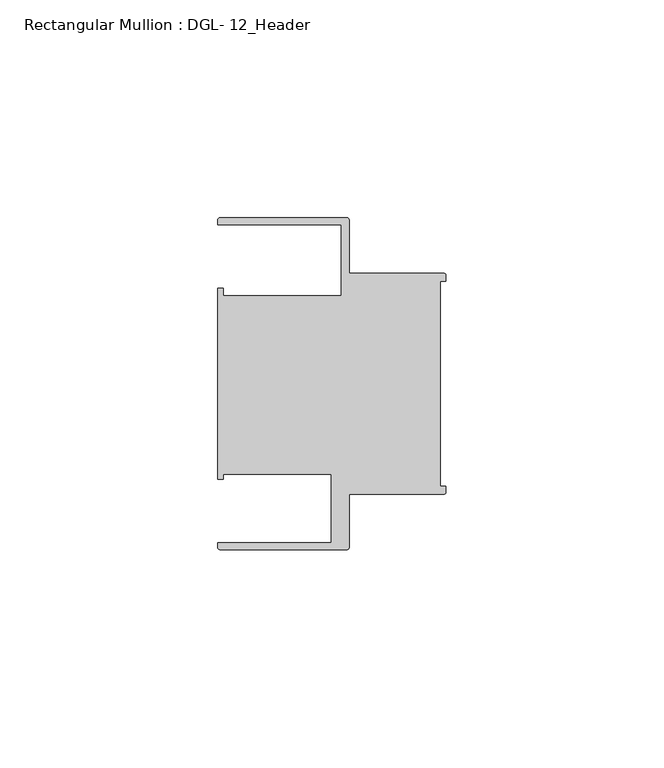
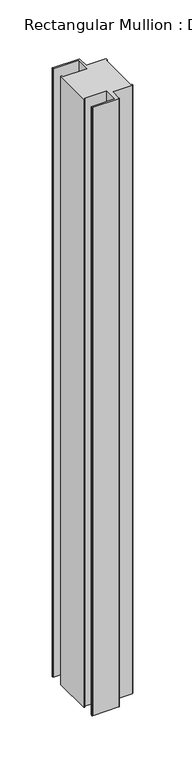
"""IFC4 building model written with IfcOpenShell, lengths in millimetres: member geometry, Rectangular Mullion : DGL- 12_Header."""

import ifcopenshell
import ifcopenshell.guid

model = None  # the IFC model being written
_history = None  # IfcOwnerHistory: only IFC2X3 demands one
_inside = {}  # id of a spatial element -> (the spatial element, [elements in it])
_under = {}  # id of a project, library or spatial element -> (it, [spatial elements below it])
_declared = {}  # id of a project -> (the project, [libraries it declares])
_typed = {}  # id of a type object -> (the type object, [elements of that type])
_made_of = {}  # id of a material, layer set ... -> (it, [elements and type objects made of it])


def new_model(schema):
    """Start an empty IFC model of exactly this schema.

    Asked for "IFC4X3", IfcOpenShell would pick the latest addendum, in which some entities
    have other attributes; the version numbers below select the first issue.
    IFC2X3 requires an IfcOwnerHistory on every rooted entity: one is made here for all.
    """
    global model, _history
    if schema == "IFC4X3":
        model = ifcopenshell.file(schema_version=(4, 3, 0, 0))
    else:
        model = ifcopenshell.file(schema=schema)
    _inside.clear()
    _under.clear()
    _declared.clear()
    _typed.clear()
    _made_of.clear()
    _history = None
    if model.schema == "IFC2X3":
        org = make("IfcOrganization", Name="unknown")
        user = make(
            "IfcPersonAndOrganization",
            ThePerson=make("IfcPerson", FamilyName="unknown"),
            TheOrganization=org,
        )
        app = make(
            "IfcApplication",
            ApplicationDeveloper=org,
            Version="unknown",
            ApplicationFullName="unknown",
            ApplicationIdentifier="unknown",
        )
        _history = make(
            "IfcOwnerHistory",
            OwningUser=user,
            OwningApplication=app,
            ChangeAction="ADDED",
            CreationDate=0,
        )
    return model


def make(cls, **values):
    """One entity of the class cls with the attributes given. An attribute that is None is left unset."""
    return model.create_entity(
        cls, **{name: value for name, value in values.items() if value is not None}
    )


def rooted(cls, **values):
    """An entity with a GlobalId (a new one), such as an element, a storey or a relation."""
    return make(cls, GlobalId=ifcopenshell.guid.new(), OwnerHistory=_history, **values)


def si_unit(unit_type, name, prefix=None):
    """IfcSIUnit, for example si_unit("LENGTHUNIT", "METRE", prefix="MILLI")."""
    return make("IfcSIUnit", UnitType=unit_type, Prefix=prefix, Name=name)


def assignment(units):
    """IfcUnitAssignment: the units of a project."""
    return None if units is None else make("IfcUnitAssignment", Units=units)


def point(xyz):
    """IfcCartesianPoint."""
    return None if xyz is None else make("IfcCartesianPoint", Coordinates=xyz)


def direction(xyz):
    """IfcDirection."""
    return None if xyz is None else make("IfcDirection", DirectionRatios=xyz)


def frame(location, z_axis=None, x_axis=None):
    """IfcAxis2Placement3D, a coordinate frame: its origin and axes. An axis left out is left unset."""
    return make(
        "IfcAxis2Placement3D",
        Location=point(location),
        Axis=direction(z_axis),
        RefDirection=direction(x_axis),
    )


def frame_2d(location, x_axis=None):
    """IfcAxis2Placement2D, a coordinate frame in the plane: its origin and x axis."""
    return make(
        "IfcAxis2Placement2D", Location=point(location), RefDirection=direction(x_axis)
    )


def origin():
    """The frame at (0, 0, 0) with its axes left unset."""
    return frame((0.0, 0.0, 0.0))


def place(relative_to, where):
    """IfcLocalPlacement: puts the frame where relative to a parent placement (None: the world)."""
    return make(
        "IfcLocalPlacement", PlacementRelTo=relative_to, RelativePlacement=where
    )


def context(
    kind, dimensions, precision=None, world=None, true_north=None, identifier=None
):
    """IfcGeometricRepresentationContext, for example the 3D "Model" context."""
    return make(
        "IfcGeometricRepresentationContext",
        ContextIdentifier=identifier,
        ContextType=kind,
        CoordinateSpaceDimension=dimensions,
        Precision=precision,
        WorldCoordinateSystem=world,
        TrueNorth=true_north,
    )


def project(units=None, contexts=None):
    """IfcProject with its units and contexts."""
    return rooted(
        "IfcProject",
        Name="project",
        RepresentationContexts=contexts,
        UnitsInContext=assignment(units),
    )


def spatial(cls, under=None, at=None, **own):
    """A site, building, storey or space (cls), placed at a placement, below another one or the project."""
    s = rooted(cls, ObjectPlacement=at, **own)
    if under is not None:
        _under.setdefault(under.id(), (under, []))[1].append(s)
    return s


def polyline(points):
    """IfcPolyline through the points."""
    return make("IfcPolyline", Points=[point(p) for p in points])


def circle_curve(where, radius):
    """IfcCircle in the frame where."""
    return make("IfcCircle", Position=where, Radius=radius)


def trimmed(basis, trim1, trim2, sense, master):
    """IfcTrimmedCurve: the piece of a basis curve between two trims."""
    return make(
        "IfcTrimmedCurve",
        BasisCurve=basis,
        Trim1=trim1,
        Trim2=trim2,
        SenseAgreement=sense,
        MasterRepresentation=master,
    )


def segment(curve, same_sense, transition):
    """IfcCompositeCurveSegment."""
    return make(
        "IfcCompositeCurveSegment",
        Transition=transition,
        SameSense=same_sense,
        ParentCurve=curve,
    )


def composite_curve(segments, self_intersect=None):
    """IfcCompositeCurve: segments joined end to end."""
    return make("IfcCompositeCurve", Segments=segments, SelfIntersect=self_intersect)


def outline(outer, holes=None, kind="AREA"):
    """IfcArbitraryClosedProfileDef: a profile drawn as a closed curve; with holes, ...WithVoids."""
    if holes is None:
        return make("IfcArbitraryClosedProfileDef", ProfileType=kind, OuterCurve=outer)
    return make(
        "IfcArbitraryProfileDefWithVoids",
        ProfileType=kind,
        OuterCurve=outer,
        InnerCurves=holes,
    )


def extrude(swept, where, along, depth):
    """IfcExtrudedAreaSolid: the profile swept, set in the frame where, extruded along a direction by depth."""
    return make(
        "IfcExtrudedAreaSolid",
        SweptArea=swept,
        Position=where,
        ExtrudedDirection=direction(along),
        Depth=depth,
    )


def shape(context_of_items, identifier, shape_type, items):
    """IfcShapeRepresentation: the items that make up one representation, for example the "Body"."""
    return make(
        "IfcShapeRepresentation",
        ContextOfItems=context_of_items,
        RepresentationIdentifier=identifier,
        RepresentationType=shape_type,
        Items=items,
    )


def source(mapping_origin, context_of_items, identifier, shape_type, items):
    """IfcRepresentationMap: a shape defined once, which mapped items show again and again."""
    return make(
        "IfcRepresentationMap",
        MappingOrigin=mapping_origin,
        MappedRepresentation=shape(context_of_items, identifier, shape_type, items),
    )


def transform(
    local_origin,
    x_axis=None,
    y_axis=None,
    z_axis=None,
    scale=None,
    scale2=None,
    scale3=None,
    uniform=True,
):
    """IfcCartesianTransformationOperator3D, or its non-uniform kind. x_axis, y_axis, z_axis: its Axis1, 2, 3."""
    if uniform:
        return make(
            "IfcCartesianTransformationOperator3D",
            Axis1=direction(x_axis),
            Axis2=direction(y_axis),
            LocalOrigin=point(local_origin),
            Scale=scale,
            Axis3=direction(z_axis),
        )
    return make(
        "IfcCartesianTransformationOperator3DnonUniform",
        Axis1=direction(x_axis),
        Axis2=direction(y_axis),
        LocalOrigin=point(local_origin),
        Scale=scale,
        Axis3=direction(z_axis),
        Scale2=scale2,
        Scale3=scale3,
    )


def mapped(mapping_source, mapping_target):
    """IfcMappedItem: shows the shape of a source again, moved by a transform."""
    return make(
        "IfcMappedItem", MappingSource=mapping_source, MappingTarget=mapping_target
    )


def made_of(thing, what):
    """Note that an element or type object is made of a material, layer set ...; save() writes the relation."""
    if what is not None:
        _made_of.setdefault(what.id(), (what, []))[1].append(thing)
    return thing


def element(
    cls,
    number,
    at=None,
    inside=None,
    cuts=None,
    type_object=None,
    material=None,
    context=None,
    identifier="Body",
    shape_type=None,
    held_by="IfcProductDefinitionShape",
    body=None,
    shapes=None,
    **own,
):
    """One element of the class cls, such as IfcWall. Its Tag is "e" and its number.

    at: its placement. inside: the storey or other place that contains it. cuts: it is an
    opening in that element (IfcRelVoidsElement). A single representation is given by context,
    identifier, shape_type and body (its items); several are given by shapes. held_by: the class
    of the entity that holds the representations. save() writes the other relations.
    """
    e = rooted(cls, Tag="e%d" % number, ObjectPlacement=at, **own)
    if body is not None:
        shapes = [shape(context, identifier, shape_type, body)]
    if shapes is not None:
        e.Representation = make(held_by, Representations=shapes)
    if inside is not None:
        _inside.setdefault(inside.id(), (inside, []))[1].append(e)
    if cuts is not None:
        rooted(
            "IfcRelVoidsElement", RelatingBuildingElement=cuts, RelatedOpeningElement=e
        )
    if type_object is not None:
        _typed.setdefault(type_object.id(), (type_object, []))[1].append(e)
    return made_of(e, material)


def aggregate(whole, parts):
    """IfcRelAggregates: a whole, such as a stair, and the parts it consists of."""
    return rooted("IfcRelAggregates", RelatingObject=whole, RelatedObjects=parts)


def save(model, path):
    """Write the relations noted so far, then the file.

    IfcRelAggregates (storeys below a building ...), IfcRelContainedInSpatialStructure (elements
    in a storey), IfcRelDefinesByType, IfcRelAssociatesMaterial and IfcRelDeclares: one each for
    every whole, place, type object, material and project.
    """
    for whole, parts in _under.values():
        aggregate(whole, parts)
    for where, things in _inside.values():
        rooted(
            "IfcRelContainedInSpatialStructure",
            RelatedElements=things,
            RelatingStructure=where,
        )
    for kind, things in _typed.values():
        rooted("IfcRelDefinesByType", RelatedObjects=things, RelatingType=kind)
    for what, things in _made_of.values():
        rooted("IfcRelAssociatesMaterial", RelatedObjects=things, RelatingMaterial=what)
    for by, libraries in _declared.values():
        rooted("IfcRelDeclares", RelatingContext=by, RelatedDefinitions=libraries)
    model.write(path)


def rectangular_mullion_dgl_12_header_eb1906df(model_context):
    return source(origin(), model_context, "Body", "SweptSolid", [
        extrude(outline(composite_curve([segment(trimmed(circle_curve(frame_2d((-0.5953125, 24.8046875)), 0.5953125), [point((-0.5953125, 25.4))], [point((0.0, 24.8046875))], False, "CARTESIAN"), True, "CONTINUOUS"), segment(polyline([(0.0, 24.8046875), (0.0, 23.4882401), (-1.30175, 23.4882401), (-1.30175, -23.4882401), (0.0, -23.4882401), (0.0, -24.8046875)]), True, "CONTINUOUS"), segment(trimmed(circle_curve(frame_2d((-0.5953125, -24.8046875)), 0.5953125), [point((0.0, -24.8046875))], [point((-0.5953125, -25.4))], False, "CARTESIAN"), True, "CONTINUOUS"), segment(polyline([(-0.5953125, -25.4), (-22.2332076, -25.4), (-22.2332076, -37.5047035)]), True, "CONTINUOUS"), segment(trimmed(circle_curve(frame_2d((-22.8285201, -37.5047035)), 0.5953125), [point((-22.2332076, -37.5047035))], [point((-22.8285201, -38.100016))], False, "CARTESIAN"), True, "CONTINUOUS"), segment(polyline([(-22.8285201, -38.100016), (-51.7968699, -38.100016)]), True, "CONTINUOUS"), segment(trimmed(circle_curve(frame_2d((-51.7968699, -37.5047035)), 0.5953125), [point((-51.7968699, -38.100016))], [point((-52.3921824, -37.5047035))], False, "CARTESIAN"), True, "CONTINUOUS"), segment(polyline([(-52.3921824, -37.5047035), (-52.3921824, -36.512516), (-26.3720794, -36.512516), (-26.3720794, -20.8257348), (-51.1280305, -20.8257348), (-51.1280305, -21.9710976), (-52.3948122, -21.9710976), (-52.3948122, 21.9710976), (-51.1280305, 21.9710976), (-51.1280305, 20.1823589), (-24.0747075, 20.1823589), (-24.0747075, 36.5123462), (-52.3921824, 36.5123462), (-52.3921824, 37.5043667)]), True, "CONTINUOUS"), segment(trimmed(circle_curve(frame_2d((-51.7968699, 37.5043667)), 0.5953125), [point((-52.3921824, 37.5043667))], [point((-51.7968699, 38.0996792))], False, "CARTESIAN"), True, "CONTINUOUS"), segment(polyline([(-51.7968699, 38.0996792), (-22.8285201, 38.0996792)]), True, "CONTINUOUS"), segment(trimmed(circle_curve(frame_2d((-22.8285201, 37.5043667)), 0.5953125), [point((-22.8285201, 38.0996792))], [point((-22.2332076, 37.5043667))], False, "CARTESIAN"), True, "CONTINUOUS"), segment(polyline([(-22.2332076, 37.5043667), (-22.2332076, 25.4), (-0.5953125, 25.4)]), True, "CONTINUOUS")], self_intersect=False)), frame((0.0, 0.0, -711.2), z_axis=(0.0, 0.0, 1.0), x_axis=(1.0, 0.0, 0.0)), (0.0, 0.0, 1.0), 711.2),
    ])


if __name__ == "__main__":
    model = new_model("IFC4")
    model_context = context("Model", 3, world=origin())
    ifc_project = project(units=[si_unit("LENGTHUNIT", "METRE", prefix="MILLI")], contexts=[model_context])
    site = spatial("IfcSite", under=ifc_project)
    building = spatial("IfcBuilding", under=site)
    placement = place(None, origin())
    rectangular_mullion_dgl_12_header_shape = rectangular_mullion_dgl_12_header_eb1906df(model_context)
    element("IfcMember", 1, ObjectType="Rectangular Mullion : DGL- 12_Header", at=placement, inside=building, context=model_context, shape_type="MappedRepresentation", body=[
        mapped(rectangular_mullion_dgl_12_header_shape, transform((0.0, 0.0, 0.0), x_axis=(1.0, 0.0, 0.0), y_axis=(0.0, 1.0, 0.0), z_axis=(0.0, 0.0, 1.0))),
    ])
    save(model, "model.ifc")
